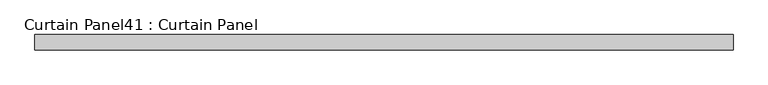
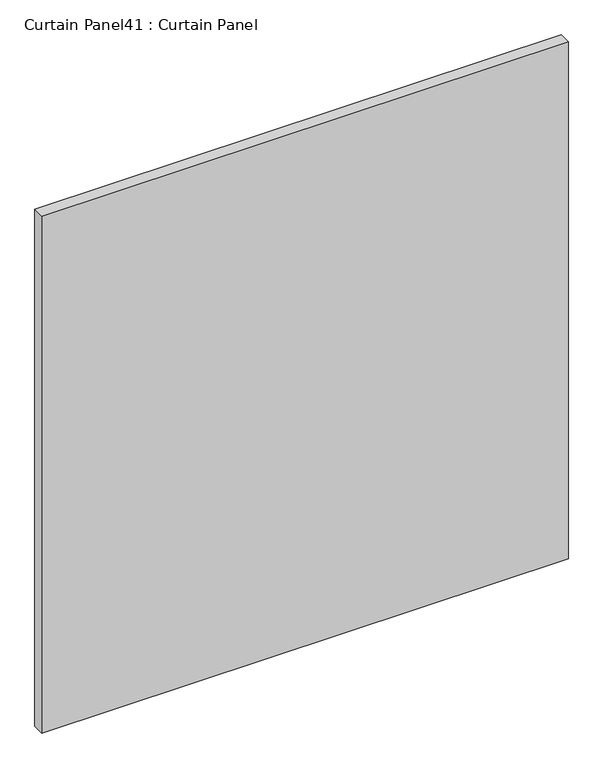
"""IFC4 building model written with IfcOpenShell, lengths in millimetres: plate geometry, Curtain Panel41 : Curtain Panel."""

from ifc_helpers import new_model, si_unit, frame, origin, place, context, project, spatial, polyline, outline, extrude, source, transform, mapped, element, save


def curtain_panel41_curtain_panel_f66da819(model_context):
    return source(origin(), model_context, "Body", "SweptSolid", [
        extrude(outline(polyline([(-411448.4505274, 3483.7345246), (-412605.3149983, 3483.7345246), (-412605.3149983, 3509.1345246), (-411448.4505274, 3509.1345246), (-411448.4505274, 3483.7345246)])), frame((0.0, 0.0, 1228.7251132), z_axis=(0.0, 0.0, 1.0), x_axis=(1.0, 0.0, 0.0)), (0.0, 0.0, 1.0), 1200.1497736),
    ])


if __name__ == "__main__":
    model = new_model("IFC4")
    model_context = context("Model", 3, world=origin())
    ifc_project = project(units=[si_unit("LENGTHUNIT", "METRE", prefix="MILLI")], contexts=[model_context])
    site = spatial("IfcSite", under=ifc_project)
    building = spatial("IfcBuilding", under=site)
    placement = place(None, origin())
    curtain_panel41_curtain_panel_shape = curtain_panel41_curtain_panel_f66da819(model_context)
    element("IfcPlate", 1, ObjectType="Curtain Panel41 : Curtain Panel", at=placement, inside=building, context=model_context, shape_type="MappedRepresentation", body=[
        mapped(curtain_panel41_curtain_panel_shape, transform((0.0, 0.0, 0.0), x_axis=(1.0, 0.0, 0.0), y_axis=(0.0, 1.0, 0.0), z_axis=(0.0, 0.0, 1.0))),
    ])
    save(model, "model.ifc")
